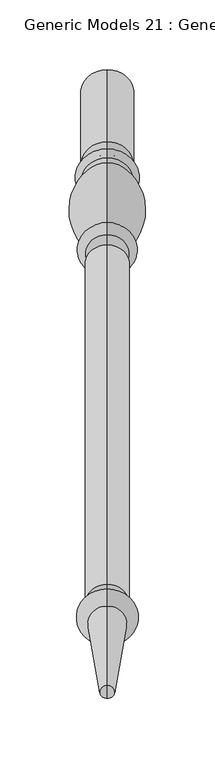
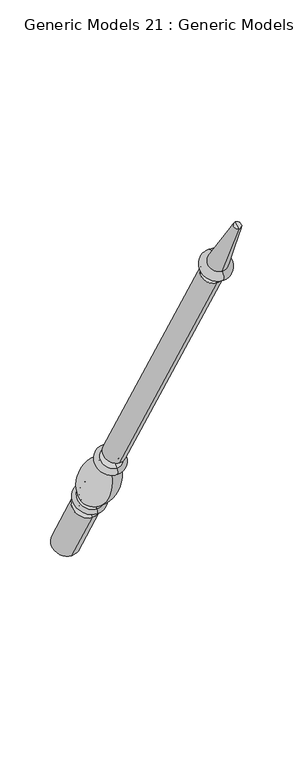
"""IFC4 building model written with IfcOpenShell, lengths in millimetres: proxy geometry, Generic Models 21 : Generic Models 2."""

from ifc_helpers import new_model, si_unit, point, frame, origin, place, context, project, spatial, polyline, circle_curve, ellipse_curve, trimmed, source, transform, mapped, element, save
from ifc_brep_helpers import plane_surface, cylinder_surface, revolved_surface, advanced_brep


def generic_models_21_generic_models_2_420a7a34(model_context):
    return source(origin(), model_context, "Body", "AdvancedBrep", [
        advanced_brep(
        [(56.7315502, 1861.1601077, 610.5814746), (56.7315502, 1828.1645398, 591.5314746), (56.7315502, 1880.0576333, 501.65), (56.7315502, 1913.0532012, 520.7), (56.7315502, 1853.6896456, 623.5206944), (56.7315502, 1820.6940777, 604.4706944), (56.7315502, 1849.5864045, 630.6277165), (56.7315502, 1816.5908366, 611.5777165), (56.7315502, 1845.9182158, 636.9812058), (56.7315502, 1812.9226479, 617.9312058), (56.7315502, 1801.1569262, 703.055156), (56.7315502, 1778.0815733, 689.7325947), (56.7315502, 1799.8610191, 710.4046105), (56.7315502, 1772.3647125, 694.5296105), (56.7315502, 1794.1590629, 720.2806883), (56.7315502, 1766.6627563, 704.4056883), (56.7315502, 1786.7732215, 733.0733408), (56.7315502, 1759.276915, 717.1983408), (56.7315502, 1542.2982215, 1156.516462), (56.7315502, 1514.801915, 1140.641462), (56.7315502, 1537.2251467, 1153.5875209), (56.7315502, 1519.8749898, 1143.5704031), (56.7315502, 1531.1910418, 1164.0388972), (56.7315502, 1513.8408848, 1154.0217794), (56.7315502, 1534.7597609, 1166.0992981), (56.7315502, 1510.2721658, 1151.9613785), (56.7315502, 1526.5847892, 1180.2587644), (56.7315502, 1502.0971941, 1166.1208448), (56.7315502, 1469.4852742, 1261.8053229), (56.7315502, 1460.0255603, 1256.3437545), (56.7315502, 1464.7554173, 1259.0745387), (56.7315502, 1896.5554173, 511.175)],
        [
            (0, 1, circle_curve(frame((56.7315502, 1844.6623237, 601.0564746), z_axis=(0.0, 0.5000000000000062, -0.8660254037844352), x_axis=(0.0, -0.8660254037844352, -0.5000000000000062)), 19.05)),
            (1, 2),
            (2, 3, circle_curve(frame((56.7315502, 1896.5554173, 511.175), z_axis=(0.0, -0.5000000000000062, 0.8660254037844352), x_axis=(0.0, -0.8660254037844352, -0.5000000000000062)), 19.05)),
            (3, 0),
            (1, 0, circle_curve(frame((56.7315502, 1844.6623237, 601.0564746), z_axis=(0.0, 0.5000000000000062, -0.8660254037844352), x_axis=(0.0, -0.8660254037844352, -0.5000000000000062)), 19.05)),
            (3, 2, circle_curve(frame((56.7315502, 1896.5554173, 511.175), z_axis=(0.0, -0.5000000000000062, 0.8660254037844352), x_axis=(0.0, -0.8660254037844352, -0.5000000000000062)), 19.05)),
            (4, 5, circle_curve(frame((56.7315502, 1837.1918617, 613.9956944), z_axis=(0.0, 0.5000000000000062, -0.8660254037844352), x_axis=(0.0, -0.8660254037844352, -0.5000000000000062)), 19.05)),
            (5, 1, circle_curve(frame((56.7315502, 1821.8102989, 596.4889985), z_axis=(-1.0, 0.0, 0.0), x_axis=(0.0, 0.8660254037844352, 0.5000000000000062)), 8.0593685)),
            (0, 4, circle_curve(frame((56.7315502, 1860.0438865, 618.5631706), z_axis=(-1.0, 0.0, 0.0), x_axis=(0.0, -0.8660254037844352, -0.5000000000000062)), 8.0593685)),
            (5, 4, circle_curve(frame((56.7315502, 1837.1918617, 613.9956944), z_axis=(0.0, 0.5000000000000062, -0.8660254037844352), x_axis=(0.0, -0.8660254037844352, -0.5000000000000062)), 19.05)),
            (6, 7, circle_curve(frame((56.7315502, 1833.0886205, 621.1027165), z_axis=(0.0, 0.5000000000000062, -0.8660254037844352), x_axis=(0.0, -0.8660254037844352, -0.5000000000000062)), 19.05)),
            (7, 5, circle_curve(frame((56.7315502, 1818.6424572, 608.0242055), z_axis=(1.0, 0.0, 0.0), x_axis=(0.0, 0.8660254037844352, 0.5000000000000062)), 4.1032411)),
            (4, 6, circle_curve(frame((56.7315502, 1851.638025, 627.0742055), z_axis=(1.0, 0.0, 0.0), x_axis=(0.0, -0.8660254037844352, -0.5000000000000062)), 4.1032411)),
            (7, 6, circle_curve(frame((56.7315502, 1833.0886205, 621.1027165), z_axis=(0.0, 0.5000000000000062, -0.8660254037844352), x_axis=(0.0, -0.8660254037844352, -0.5000000000000062)), 19.05)),
            (8, 9, circle_curve(frame((56.7315502, 1829.4204318, 627.4562058), z_axis=(0.0, 0.5000000000000062, -0.8660254037844352), x_axis=(0.0, -0.8660254037844352, -0.5000000000000062)), 19.05)),
            (9, 7, circle_curve(frame((56.7315502, 1813.3633086, 613.9499618), z_axis=(-1.0, 0.0, 0.0), x_axis=(0.0, 0.8660254037844352, 0.5000000000000062)), 4.0055568)),
            (6, 8, circle_curve(frame((56.7315502, 1849.1457438, 634.6089605), z_axis=(-1.0, 0.0, 0.0), x_axis=(0.0, -0.8660254037844352, -0.5000000000000062)), 4.0055568)),
            (9, 8, circle_curve(frame((56.7315502, 1829.4204318, 627.4562058), z_axis=(0.0, 0.5000000000000062, -0.8660254037844352), x_axis=(0.0, -0.8660254037844352, -0.5000000000000062)), 19.05)),
            (10, 11, circle_curve(frame((56.7315502, 1789.6192497, 696.3938754), z_axis=(0.0, 0.5000000000000062, -0.8660254037844352), x_axis=(0.0, -0.8660254037844352, -0.5000000000000062)), 13.3225612)),
            (11, 9, circle_curve(frame((56.7315502, 1854.1299968, 682.2806335), z_axis=(1.0, 0.0, 0.0), x_axis=(0.0, 0.8660254037844352, 0.5000000000000062)), 76.412659)),
            (8, 10, circle_curve(frame((56.7315502, 1769.5863022, 633.4693086), z_axis=(1.0, 0.0, 0.0), x_axis=(0.0, -0.8660254037844352, -0.5000000000000062)), 76.412659)),
            (11, 10, circle_curve(frame((56.7315502, 1789.6192497, 696.3938754), z_axis=(0.0, 0.5000000000000062, -0.8660254037844352), x_axis=(0.0, -0.8660254037844352, -0.5000000000000062)), 13.3225612)),
            (12, 13, circle_curve(frame((56.7315502, 1786.1128658, 702.4671105), z_axis=(0.0, 0.5000000000000062, -0.8660254037844352), x_axis=(0.0, -0.8660254037844352, -0.5000000000000062)), 15.875)),
            (13, 11, circle_curve(frame((56.7315502, 1773.4069828, 689.9666873), z_axis=(-1.0, 0.0, 0.0), x_axis=(0.0, 0.8660254037844352, 0.5000000000000062)), 4.6804482)),
            (10, 12, circle_curve(frame((56.7315502, 1803.2914914, 707.2205164), z_axis=(-1.0, 0.0, 0.0), x_axis=(0.0, -0.8660254037844352, -0.5000000000000062)), 4.6804482)),
            (13, 12, circle_curve(frame((56.7315502, 1786.1128658, 702.4671105), z_axis=(0.0, 0.5000000000000062, -0.8660254037844352), x_axis=(0.0, -0.8660254037844352, -0.5000000000000062)), 15.875)),
            (14, 15, circle_curve(frame((56.7315502, 1780.4109096, 712.3431883), z_axis=(0.0, 0.5000000000000062, -0.8660254037844352), x_axis=(0.0, -0.8660254037844352, -0.5000000000000062)), 15.875)),
            (15, 13, circle_curve(frame((56.7315502, 1769.5137344, 699.4676494), z_axis=(1.0, 0.0, 0.0), x_axis=(0.0, 0.8660254037844352, 0.5000000000000062)), 5.7019562)),
            (12, 14, circle_curve(frame((56.7315502, 1797.010041, 715.3426494), z_axis=(1.0, 0.0, 0.0), x_axis=(0.0, -0.8660254037844352, -0.5000000000000062)), 5.7019562)),
            (15, 14, circle_curve(frame((56.7315502, 1780.4109096, 712.3431883), z_axis=(0.0, 0.5000000000000062, -0.8660254037844352), x_axis=(0.0, -0.8660254037844352, -0.5000000000000062)), 15.875)),
            (16, 17, circle_curve(frame((56.7315502, 1773.0250683, 725.1358408), z_axis=(0.0, 0.5000000000000062, -0.8660254037844352), x_axis=(0.0, -0.8660254037844352, -0.5000000000000062)), 15.875)),
            (17, 15, circle_curve(frame((56.7315502, 1762.9698356, 710.8020145), z_axis=(-1.0, 0.0, 0.0), x_axis=(0.0, 0.8660254037844352, 0.5000000000000062)), 7.3858413)),
            (14, 16, circle_curve(frame((56.7315502, 1790.4661422, 726.6770145), z_axis=(-1.0, 0.0, 0.0), x_axis=(0.0, -0.8660254037844352, -0.5000000000000062)), 7.3858413)),
            (17, 16, circle_curve(frame((56.7315502, 1773.0250683, 725.1358408), z_axis=(0.0, 0.5000000000000062, -0.8660254037844352), x_axis=(0.0, -0.8660254037844352, -0.5000000000000062)), 15.875)),
            (18, 19, circle_curve(frame((56.7315502, 1528.5500683, 1148.578962), z_axis=(0.0, 0.5000000000000062, -0.8660254037844352), x_axis=(0.0, -0.8660254037844352, -0.5000000000000062)), 15.875)),
            (19, 17),
            (16, 18),
            (19, 18, circle_curve(frame((56.7315502, 1528.5500683, 1148.578962), z_axis=(0.0, 0.5000000000000062, -0.8660254037844352), x_axis=(0.0, -0.8660254037844352, -0.5000000000000062)), 15.875)),
            (20, 21, circle_curve(frame((56.7315502, 1528.5500683, 1148.578962), z_axis=(0.0, 0.5000000000000062, -0.8660254037844352), x_axis=(0.0, -0.8660254037844352, -0.5000000000000062)), 10.0171178)),
            (21, 19),
            (18, 20),
            (21, 20, circle_curve(frame((56.7315502, 1528.5500683, 1148.578962), z_axis=(0.0, 0.5000000000000062, -0.8660254037844352), x_axis=(0.0, -0.8660254037844352, -0.5000000000000062)), 10.0171178)),
            (22, 23, circle_curve(frame((56.7315502, 1522.5159633, 1159.0303383), z_axis=(0.0, 0.5000000000000062, -0.8660254037844352), x_axis=(0.0, -0.8660254037844352, -0.5000000000000062)), 10.0171178)),
            (23, 21, circle_curve(frame((56.7315502, 1515.3020818, 1147.8978177), z_axis=(-1.0, 0.0, 0.0), x_axis=(0.0, 0.8660254037844352, 0.5000000000000062)), 6.295872)),
            (20, 22, circle_curve(frame((56.7315502, 1535.7639497, 1159.7114826), z_axis=(-1.0, 0.0, 0.0), x_axis=(0.0, -0.8660254037844352, -0.5000000000000062)), 6.295872)),
            (23, 22, circle_curve(frame((56.7315502, 1522.5159633, 1159.0303383), z_axis=(0.0, 0.5000000000000062, -0.8660254037844352), x_axis=(0.0, -0.8660254037844352, -0.5000000000000062)), 10.0171178)),
            (24, 25, circle_curve(frame((56.7315502, 1522.5159633, 1159.0303383), z_axis=(0.0, 0.5000000000000062, -0.8660254037844352), x_axis=(0.0, -0.8660254037844352, -0.5000000000000062)), 14.1379196)),
            (25, 23),
            (22, 24),
            (25, 24, circle_curve(frame((56.7315502, 1522.5159633, 1159.0303383), z_axis=(0.0, 0.5000000000000062, -0.8660254037844352), x_axis=(0.0, -0.8660254037844352, -0.5000000000000062)), 14.1379196)),
            (26, 27, circle_curve(frame((56.7315502, 1514.3409916, 1173.1898046), z_axis=(0.0, 0.5000000000000062, -0.8660254037844352), x_axis=(0.0, -0.8660254037844352, -0.5000000000000062)), 14.1379196)),
            (27, 25, circle_curve(frame((56.7315502, 1506.1846799, 1159.0411116), z_axis=(1.0, 0.0, 0.0), x_axis=(0.0, 0.8660254037844352, 0.5000000000000062)), 8.1749717)),
            (24, 26, circle_curve(frame((56.7315502, 1530.672275, 1173.1790313), z_axis=(1.0, 0.0, 0.0), x_axis=(0.0, -0.8660254037844352, -0.5000000000000062)), 8.1749717)),
            (27, 26, circle_curve(frame((56.7315502, 1514.3409916, 1173.1898046), z_axis=(0.0, 0.5000000000000062, -0.8660254037844352), x_axis=(0.0, -0.8660254037844352, -0.5000000000000062)), 14.1379196)),
            (28, 29, circle_curve(frame((56.7315502, 1464.7554173, 1259.0745387), z_axis=(0.0, 0.5000000000000062, -0.8660254037844352), x_axis=(0.0, -0.8660254037844352, -0.5000000000000062)), 5.4615684)),
            (29, 27),
            (26, 28),
            (29, 28, circle_curve(frame((56.7315502, 1464.7554173, 1259.0745387), z_axis=(0.0, 0.5000000000000062, -0.8660254037844352), x_axis=(0.0, -0.8660254037844352, -0.5000000000000062)), 5.4615684)),
            (30, 29),
            (28, 30),
            (2, 31),
            (31, 3),
        ],
        [
            cylinder_surface(frame((56.7315502, 1464.7554173, 1259.0745387), z_axis=(0.0, -0.5000000000000062, 0.8660254037844352), x_axis=(0.0, -0.8660254037844352, -0.5000000000000062)), 19.05),
            revolved_surface(trimmed(ellipse_curve(frame((56.7315502, 1821.8102989, 596.4889985), z_axis=(1.0, 0.0, 0.0), x_axis=(0.0, 0.8660254037844352, 0.5000000000000062)), 8.0593685, 8.0593685), [point((56.7315502, 1828.1645398, 591.5314746))], [point((56.7315502, 1820.6940777, 604.4706944))], True, "CARTESIAN"), (56.7315502, 1464.7554173, 1259.0745387), (0.0, -0.5000000000000062, 0.8660254037844352)),
            revolved_surface(trimmed(ellipse_curve(frame((56.7315502, 1818.6424572, 608.0242055), z_axis=(-1.0, 0.0, 0.0), x_axis=(0.0, 0.8660254037844352, 0.5000000000000062)), 4.1032411, 4.1032411), [point((56.7315502, 1820.6940777, 604.4706944))], [point((56.7315502, 1816.5908366, 611.5777165))], True, "CARTESIAN"), (56.7315502, 1464.7554173, 1259.0745387), (0.0, -0.5000000000000062, 0.8660254037844352)),
            revolved_surface(trimmed(ellipse_curve(frame((56.7315502, 1813.3633086, 613.9499618), z_axis=(1.0, 0.0, 0.0), x_axis=(0.0, 0.8660254037844352, 0.5000000000000062)), 4.0055568, 4.0055568), [point((56.7315502, 1816.5908366, 611.5777165))], [point((56.7315502, 1812.9226479, 617.9312058))], True, "CARTESIAN"), (56.7315502, 1464.7554173, 1259.0745387), (0.0, -0.5000000000000062, 0.8660254037844352)),
            revolved_surface(trimmed(ellipse_curve(frame((56.7315502, 1854.1299968, 682.2806335), z_axis=(-1.0, 0.0, 0.0), x_axis=(0.0, 0.8660254037844352, 0.5000000000000062)), 76.412659, 76.412659), [point((56.7315502, 1812.9226479, 617.9312058))], [point((56.7315502, 1778.0815733, 689.7325947))], True, "CARTESIAN"), (56.7315502, 1464.7554173, 1259.0745387), (0.0, -0.5000000000000062, 0.8660254037844352)),
            revolved_surface(trimmed(ellipse_curve(frame((56.7315502, 1773.4069828, 689.9666873), z_axis=(1.0, 0.0, 0.0), x_axis=(0.0, 0.8660254037844352, 0.5000000000000062)), 4.6804482, 4.6804482), [point((56.7315502, 1778.0815733, 689.7325947))], [point((56.7315502, 1772.3647125, 694.5296105))], True, "CARTESIAN"), (56.7315502, 1464.7554173, 1259.0745387), (0.0, -0.5000000000000062, 0.8660254037844352)),
            revolved_surface(trimmed(ellipse_curve(frame((56.7315502, 1769.5137344, 699.4676494), z_axis=(-1.0, 0.0, 0.0), x_axis=(0.0, 0.8660254037844352, 0.5000000000000062)), 5.7019562, 5.7019562), [point((56.7315502, 1772.3647125, 694.5296105))], [point((56.7315502, 1766.6627563, 704.4056883))], True, "CARTESIAN"), (56.7315502, 1464.7554173, 1259.0745387), (0.0, -0.5000000000000062, 0.8660254037844352)),
            revolved_surface(trimmed(ellipse_curve(frame((56.7315502, 1762.9698356, 710.8020145), z_axis=(1.0, 0.0, 0.0), x_axis=(0.0, 0.8660254037844352, 0.5000000000000062)), 7.3858413, 7.3858413), [point((56.7315502, 1766.6627563, 704.4056883))], [point((56.7315502, 1759.276915, 717.1983408))], True, "CARTESIAN"), (56.7315502, 1464.7554173, 1259.0745387), (0.0, -0.5000000000000062, 0.8660254037844352)),
            cylinder_surface(frame((56.7315502, 1464.7554173, 1259.0745387), z_axis=(0.0, -0.5000000000000062, 0.8660254037844352), x_axis=(0.0, -0.8660254037844352, -0.5000000000000062)), 15.875),
            plane_surface(frame((56.7315502, 1528.5500683, 1148.578962), z_axis=(0.0, -0.5000000000000062, 0.8660254037844352), x_axis=(0.0, -0.8660254037844352, -0.5000000000000062))),
            revolved_surface(trimmed(ellipse_curve(frame((56.7315502, 1515.3020818, 1147.8978177), z_axis=(1.0, 0.0, 0.0), x_axis=(0.0, 0.8660254037844352, 0.5000000000000062)), 6.295872, 6.295872), [point((56.7315502, 1519.8749898, 1143.5704031))], [point((56.7315502, 1513.8408848, 1154.0217794))], True, "CARTESIAN"), (56.7315502, 1464.7554173, 1259.0745387), (0.0, -0.5000000000000062, 0.8660254037844352)),
            plane_surface(frame((56.7315502, 1522.5159633, 1159.0303383), z_axis=(0.0, 0.5000000000000062, -0.8660254037844352), x_axis=(0.0, -0.8660254037844352, -0.5000000000000062))),
            revolved_surface(trimmed(ellipse_curve(frame((56.7315502, 1506.1846799, 1159.0411116), z_axis=(-1.0, 0.0, 0.0), x_axis=(0.0, 0.8660254037844352, 0.5000000000000062)), 8.1749717, 8.1749717), [point((56.7315502, 1510.2721658, 1151.9613785))], [point((56.7315502, 1502.0971941, 1166.1208448))], True, "CARTESIAN"), (56.7315502, 1464.7554173, 1259.0745387), (0.0, -0.5000000000000062, 0.8660254037844352)),
            revolved_surface(polyline([(56.7315502, 1502.0971941, 1166.1208448), (56.7315502, 1460.0255603, 1256.3437545)]), (56.7315502, 1464.7554173, 1259.0745387), (0.0, -0.5000000000000062, 0.8660254037844352)),
            plane_surface(frame((56.7315502, 1464.7554173, 1259.0745387), z_axis=(0.0, -0.5000000000000062, 0.8660254037844352), x_axis=(0.0, -0.8660254037844352, -0.5000000000000062))),
            plane_surface(frame((56.7315502, 1896.5554173, 511.175), z_axis=(0.0, 0.5000000000000062, -0.8660254037844352), x_axis=(0.0, -0.8660254037844352, -0.5000000000000062))),
        ],
        [
            (0, [[1, 2, 3, 4]]),
            (0, [[5, -4, 6, -2]]),
            (1, [[7, 8, -1, 9]]),
            (1, [[10, -9, -5, -8]]),
            (2, [[11, 12, -7, 13]]),
            (2, [[14, -13, -10, -12]]),
            (3, [[15, 16, -11, 17]]),
            (3, [[18, -17, -14, -16]]),
            (4, [[19, 20, -15, 21]]),
            (4, [[22, -21, -18, -20]]),
            (5, [[23, 24, -19, 25]]),
            (5, [[26, -25, -22, -24]]),
            (6, [[27, 28, -23, 29]]),
            (6, [[30, -29, -26, -28]]),
            (7, [[31, 32, -27, 33]]),
            (7, [[34, -33, -30, -32]]),
            (8, [[35, 36, -31, 37]]),
            (8, [[38, -37, -34, -36]]),
            (9, [[39, 40, -35, 41]]),
            (9, [[42, -41, -38, -40]]),
            (10, [[43, 44, -39, 45]]),
            (10, [[46, -45, -42, -44]]),
            (11, [[47, 48, -43, 49]]),
            (11, [[50, -49, -46, -48]]),
            (12, [[51, 52, -47, 53]]),
            (12, [[54, -53, -50, -52]]),
            (13, [[55, 56, -51, 57]]),
            (13, [[58, -57, -54, -56]]),
            (14, [[59, -55, 60]]),
            (14, [[-60, -58, -59]]),
            (15, [[-3, 61, 62]]),
            (15, [[-6, -62, -61]]),
        ],
    ),
    ])


if __name__ == "__main__":
    model = new_model("IFC4")
    model_context = context("Model", 3, world=origin())
    ifc_project = project(units=[si_unit("LENGTHUNIT", "METRE", prefix="MILLI")], contexts=[model_context])
    site = spatial("IfcSite", under=ifc_project)
    building = spatial("IfcBuilding", under=site)
    placement = place(None, origin())
    generic_models_21_generic_models_2_shape = generic_models_21_generic_models_2_420a7a34(model_context)
    element("IfcBuildingElementProxy", 1, Name="Generic Models 21 : Generic Models 2", ObjectType="Generic Models 21 : Generic Models 2", at=placement, inside=building, context=model_context, shape_type="MappedRepresentation", body=[
        mapped(generic_models_21_generic_models_2_shape, transform((0.0, 0.0, 0.0), x_axis=(1.0, 0.0, 0.0), y_axis=(0.0, 1.0, 0.0), z_axis=(0.0, 0.0, 1.0))),
    ])
    save(model, "model.ifc")
